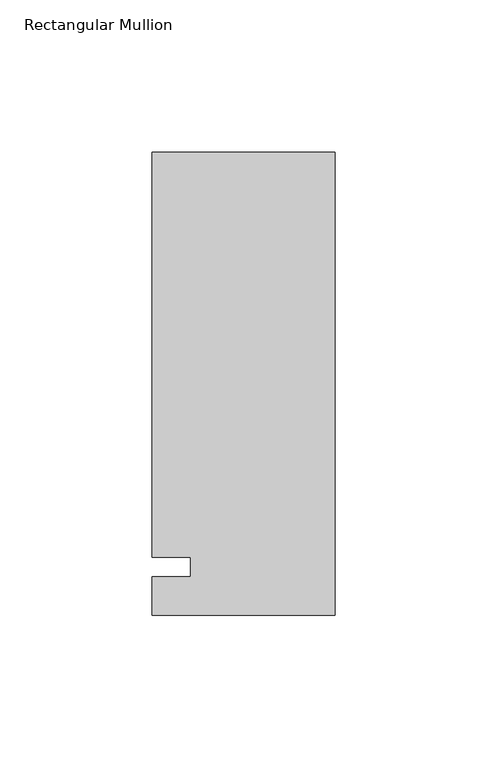
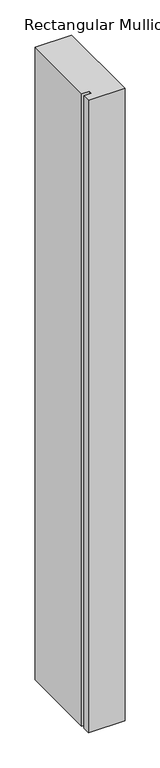
"""IFC4 building model written with IfcOpenShell, lengths in millimetres: member geometry, Rectangular Mullion."""

from ifc_helpers import new_model, si_unit, frame, origin, place, context, project, spatial, polyline, outline, extrude, source, transform, mapped, element, save


def rectangular_mullion_ec21edef(model_context):
    return source(origin(), model_context, "Body", "SweptSolid", [
        extrude(outline(polyline([(-60.325, 136.525), (0.0, 136.525), (0.0, -15.875), (-60.325, -15.875), (-60.325, -3.175), (-47.6232296, -3.175), (-47.6232296, 3.175), (-60.325, 3.175), (-60.325, 136.525)])), frame((0.0, 0.0, -1099.7094027), z_axis=(0.0, 0.0, 1.0), x_axis=(1.0, 0.0, 0.0)), (0.0, 0.0, 1.0), 1099.7094027),
    ])


if __name__ == "__main__":
    model = new_model("IFC4")
    model_context = context("Model", 3, world=origin())
    ifc_project = project(units=[si_unit("LENGTHUNIT", "METRE", prefix="MILLI")], contexts=[model_context])
    site = spatial("IfcSite", under=ifc_project)
    building = spatial("IfcBuilding", under=site)
    placement = place(None, origin())
    rectangular_mullion_shape = rectangular_mullion_ec21edef(model_context)
    element("IfcMember", 1, ObjectType="Rectangular Mullion", at=placement, inside=building, context=model_context, shape_type="MappedRepresentation", body=[
        mapped(rectangular_mullion_shape, transform((0.0, 0.0, 0.0), x_axis=(1.0, 0.0, 0.0), y_axis=(0.0, 1.0, 0.0), z_axis=(0.0, 0.0, 1.0))),
    ])
    save(model, "model.ifc")
